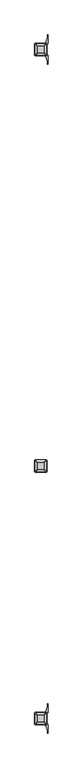
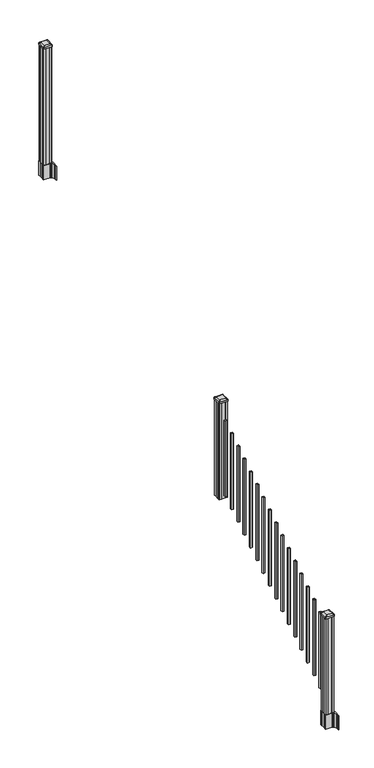
"""IFC4 building model written with IfcOpenShell, lengths in millimetres: railing geometry."""

from ifc_helpers import new_model, si_unit, point, frame, frame_2d, origin, place, context, project, spatial, polyline, circle_curve, trimmed, segment, composite_curve, outline, extrude, source, transform, mapped, element, save
from ifc_brep_helpers import plane_surface, extruded_surface, advanced_brep


def railing_37492231(model_context):
    return source(origin(), model_context, "Body", "SolidModel", [
        advanced_brep(
        [(5966.2626478, -127566.6027203, 2394.709263), (5969.4376478, -127563.4277203, 2394.709263), (5969.4376478, -127511.8339703, 2394.709263), (5966.2626478, -127508.6589703, 2394.709263), (5914.6688978, -127508.6589703, 2394.709263), (5911.4938978, -127511.8339703, 2394.709263), (5911.4938978, -127563.4277203, 2394.709263), (5914.6688978, -127566.6027203, 2394.709263), (5982.5345228, -127582.8745953, 2383.406263), (5898.3970228, -127582.8745953, 2383.406263), (5895.2220228, -127579.6995953, 2383.406263), (5895.2220228, -127495.5620953, 2383.406263), (5898.3970228, -127492.3870953, 2383.406263), (5982.5345228, -127492.3870953, 2383.406263), (5985.7095228, -127495.5620953, 2383.406263), (5985.7095228, -127579.6995953, 2383.406263)],
        [
            (0, 1, circle_curve(frame((5966.2626478, -127563.4277203, 2394.709263), z_axis=(0.0, 0.0, 1.0), x_axis=(0.0, 1.0, 0.0)), 3.175)),
            (1, 2),
            (2, 3, circle_curve(frame((5966.2626478, -127511.8339703, 2394.709263), z_axis=(0.0, 0.0, 1.0), x_axis=(0.0, 1.0, 0.0)), 3.175)),
            (3, 4),
            (4, 5, circle_curve(frame((5914.6688978, -127511.8339703, 2394.709263), z_axis=(0.0, 0.0, 1.0), x_axis=(0.0, 1.0, 0.0)), 3.175)),
            (5, 6),
            (6, 7, circle_curve(frame((5914.6688978, -127563.4277203, 2394.709263), z_axis=(0.0, 0.0, 1.0), x_axis=(0.0, 1.0, 0.0)), 3.175)),
            (7, 0),
            (8, 9),
            (9, 10, circle_curve(frame((5898.3970228, -127579.6995953, 2383.406263), z_axis=(0.0, 0.0, -1.0), x_axis=(0.0, 1.0, 0.0)), 3.175)),
            (10, 11),
            (11, 12, circle_curve(frame((5898.3970228, -127495.5620953, 2383.406263), z_axis=(0.0, 0.0, -1.0), x_axis=(0.0, 1.0, 0.0)), 3.175)),
            (12, 13),
            (13, 14, circle_curve(frame((5982.5345228, -127495.5620953, 2383.406263), z_axis=(0.0, 0.0, -1.0), x_axis=(0.0, 1.0, 0.0)), 3.175)),
            (14, 15),
            (15, 8, circle_curve(frame((5982.5345228, -127579.6995953, 2383.406263), z_axis=(0.0, 0.0, -1.0), x_axis=(0.0, 1.0, 0.0)), 3.175)),
            (15, 1),
            (0, 8),
            (14, 2),
            (13, 3),
            (12, 4),
            (11, 5),
            (10, 6),
            (9, 7),
        ],
        [
            plane_surface(frame((5940.4657728, -127537.6308453, 2394.709263), z_axis=(0.0, 0.0, 1.0), x_axis=(1.0, 0.0, 0.0))),
            plane_surface(frame((5940.4657728, -127537.6308453, 2383.406263), z_axis=(0.0, 0.0, -1.0), x_axis=(1.0, 0.0, 0.0))),
            extruded_surface(trimmed(circle_curve(frame((5982.5345228, -127579.6995953, 2383.406263), z_axis=(0.0, 0.0, 1.0), x_axis=(0.0, 1.0, 0.0)), 3.175), [point((5982.5345228, -127582.8745953, 2383.406263))], [point((5985.7095228, -127579.6995953, 2383.406263))], True, "CARTESIAN"), (-16.271874999999454, 16.27187500000582, 11.303000000000338), 25.63797263886966),
            plane_surface(frame((5985.7095228, -127537.6308453, 2383.406263), z_axis=(0.5705009161540778, 0.0, 0.8212969649690408), x_axis=(0.0, 1.0, 0.0))),
            extruded_surface(trimmed(circle_curve(frame((5982.5345228, -127495.5620953, 2383.406263), z_axis=(0.0, 0.0, 1.0), x_axis=(0.0, 1.0, 0.0)), 3.175), [point((5985.7095228, -127495.5620953, 2383.406263))], [point((5982.5345228, -127492.3870953, 2383.406263))], True, "CARTESIAN"), (-16.271874999999454, -16.27187499999127, 11.303000000000338), 25.637972638860422),
            plane_surface(frame((5940.4657728, -127492.3870953, 2383.406263), z_axis=(0.0, 0.5705009161540291, 0.8212969649690747), x_axis=(-1.0, 0.0, 0.0))),
            extruded_surface(trimmed(circle_curve(frame((5898.3970228, -127495.5620953, 2383.406263), z_axis=(0.0, 0.0, 1.0), x_axis=(0.0, 1.0, 0.0)), 3.175), [point((5898.3970228, -127492.3870953, 2383.406263))], [point((5895.2220228, -127495.5620953, 2383.406263))], True, "CARTESIAN"), (16.271875000000364, -16.27187499999127, 11.303000000000338), 25.637972638861),
            plane_surface(frame((5895.2220228, -127537.6308453, 2383.406263), z_axis=(-0.5705009161540142, 0.0, 0.8212969649690851), x_axis=(0.0, -1.0, 0.0))),
            extruded_surface(trimmed(circle_curve(frame((5898.3970228, -127579.6995953, 2383.406263), z_axis=(0.0, 0.0, 1.0), x_axis=(0.0, 1.0, 0.0)), 3.175), [point((5895.2220228, -127579.6995953, 2383.406263))], [point((5898.3970228, -127582.8745953, 2383.406263))], True, "CARTESIAN"), (16.271875000000364, 16.27187500000582, 11.303000000000338), 25.637972638870238),
            plane_surface(frame((5940.4657728, -127582.8745953, 2383.406263), z_axis=(0.0, -0.570500916154034, 0.8212969649690713), x_axis=(1.0, 0.0, 0.0))),
        ],
        [
            (0, [[1, 2, 3, 4, 5, 6, 7, 8]]),
            (1, [[9, 10, 11, 12, 13, 14, 15, 16]]),
            (2, [[-16, 17, -1, 18]]),
            (3, [[-15, 19, -2, -17]]),
            (4, [[-14, 20, -3, -19]]),
            (5, [[-13, 21, -4, -20]]),
            (6, [[-12, 22, -5, -21]]),
            (7, [[-11, 23, -6, -22]]),
            (8, [[-10, 24, -7, -23]]),
            (9, [[-9, -18, -8, -24]]),
        ],
    ),
        extrude(outline(composite_curve([segment(polyline([(5982.5345228, -127582.8745953), (5898.3970228, -127582.8745953)]), True, "CONTINUOUS"), segment(trimmed(circle_curve(frame_2d((5898.3970228, -127579.6995953)), 3.175), [point((5898.3970228, -127582.8745953))], [point((5895.2220228, -127579.6995953))], False, "CARTESIAN"), True, "CONTINUOUS"), segment(polyline([(5895.2220228, -127579.6995953), (5895.2220228, -127495.5620953)]), True, "CONTINUOUS"), segment(trimmed(circle_curve(frame_2d((5898.3970228, -127495.5620953)), 3.175), [point((5895.2220228, -127495.5620953))], [point((5898.3970228, -127492.3870953))], False, "CARTESIAN"), True, "CONTINUOUS"), segment(polyline([(5898.3970228, -127492.3870953), (5982.5345228, -127492.3870953)]), True, "CONTINUOUS"), segment(trimmed(circle_curve(frame_2d((5982.5345228, -127495.5620953)), 3.175), [point((5982.5345228, -127492.3870953))], [point((5985.7095228, -127495.5620953))], False, "CARTESIAN"), True, "CONTINUOUS"), segment(polyline([(5985.7095228, -127495.5620953), (5985.7095228, -127579.6995953)]), True, "CONTINUOUS"), segment(trimmed(circle_curve(frame_2d((5982.5345228, -127579.6995953)), 3.175), [point((5985.7095228, -127579.6995953))], [point((5982.5345228, -127582.8745953))], False, "CARTESIAN"), True, "CONTINUOUS")], self_intersect=False)), frame((0.0, 0.0, 2366.134263), z_axis=(0.0, 0.0, 1.0), x_axis=(1.0, 0.0, 0.0)), (0.0, 0.0, 1.0), 17.272),
        extrude(outline(polyline([(5980.1532728, -127578.9058453), (5960.5317728, -127578.9058453), (5959.7697728, -127577.3183453), (5921.1617728, -127577.3183453), (5920.3997728, -127578.9058453), (5900.7782728, -127578.9058453), (5899.1907728, -127577.3183453), (5899.1907728, -127557.6968453), (5900.7782728, -127556.9348453), (5900.7782728, -127518.3268453), (5899.1907728, -127517.5648453), (5899.1907728, -127497.9433453), (5900.7782728, -127496.3558453), (5920.3997728, -127496.3558453), (5921.1617728, -127497.9433453), (5959.7697728, -127497.9433453), (5960.5317728, -127496.3558453), (5980.1532728, -127496.3558453), (5981.7407728, -127497.9433453), (5981.7407728, -127517.5648453), (5980.1532728, -127518.3268453), (5980.1532728, -127556.9348453), (5981.7407728, -127557.6968453), (5981.7407728, -127577.3183453), (5980.1532728, -127578.9058453)])), frame((0.0, 0.0, 1334.77), z_axis=(0.0, 0.0, 1.0), x_axis=(1.0, 0.0, 0.0)), (0.0, 0.0, 1.0), 1031.364263),
        extrude(outline(polyline([(5930.9407728, -127628.1818453), (5930.9407728, -127609.1318453), (5949.9907728, -127609.1318453), (5949.9907728, -127628.1818453), (5930.9407728, -127628.1818453)]), holes=[polyline([(5931.3376478, -127627.7849703), (5949.5938978, -127627.7849703), (5949.5938978, -127609.5287203), (5931.3376478, -127609.5287203), (5931.3376478, -127627.7849703)])]), frame((0.0, 0.0, 1385.7246281), z_axis=(0.0, 0.0, 1.0), x_axis=(1.0, 0.0, 0.0)), (0.0, 0.0, 1.0), 812.8041219),
        extrude(outline(polyline([(5930.9407728, -127739.4338453), (5930.9407728, -127720.3838453), (5949.9907728, -127720.3838453), (5949.9907728, -127739.4338453), (5930.9407728, -127739.4338453)]), holes=[polyline([(5931.3376478, -127739.0369703), (5949.5938978, -127739.0369703), (5949.5938978, -127720.7807203), (5931.3376478, -127720.7807203), (5931.3376478, -127739.0369703)])]), frame((0.0, 0.0, 1316.1921281), z_axis=(0.0, 0.0, 1.0), x_axis=(1.0, 0.0, 0.0)), (0.0, 0.0, 1.0), 812.8041219),
        extrude(outline(polyline([(5930.9407728, -127850.6858453), (5930.9407728, -127831.6358453), (5949.9907728, -127831.6358453), (5949.9907728, -127850.6858453), (5930.9407728, -127850.6858453)]), holes=[polyline([(5931.3376478, -127850.2889703), (5949.5938978, -127850.2889703), (5949.5938978, -127832.0327203), (5931.3376478, -127832.0327203), (5931.3376478, -127850.2889703)])]), frame((0.0, 0.0, 1246.6596281), z_axis=(0.0, 0.0, 1.0), x_axis=(1.0, 0.0, 0.0)), (0.0, 0.0, 1.0), 812.8041219),
        extrude(outline(polyline([(5930.9407728, -127961.9378453), (5930.9407728, -127942.8878453), (5949.9907728, -127942.8878453), (5949.9907728, -127961.9378453), (5930.9407728, -127961.9378453)]), holes=[polyline([(5931.3376478, -127961.5409703), (5949.5938978, -127961.5409703), (5949.5938978, -127943.2847203), (5931.3376478, -127943.2847203), (5931.3376478, -127961.5409703)])]), frame((0.0, 0.0, 1177.1271281), z_axis=(0.0, 0.0, 1.0), x_axis=(1.0, 0.0, 0.0)), (0.0, 0.0, 1.0), 812.8041219),
        extrude(outline(polyline([(5930.9407728, -128073.1898453), (5930.9407728, -128054.1398453), (5949.9907728, -128054.1398453), (5949.9907728, -128073.1898453), (5930.9407728, -128073.1898453)]), holes=[polyline([(5931.3376478, -128072.7929703), (5949.5938978, -128072.7929703), (5949.5938978, -128054.5367203), (5931.3376478, -128054.5367203), (5931.3376478, -128072.7929703)])]), frame((0.0, 0.0, 1107.5946281), z_axis=(0.0, 0.0, 1.0), x_axis=(1.0, 0.0, 0.0)), (0.0, 0.0, 1.0), 812.8041219),
        extrude(outline(polyline([(5930.9407728, -128184.4418453), (5930.9407728, -128165.3918453), (5949.9907728, -128165.3918453), (5949.9907728, -128184.4418453), (5930.9407728, -128184.4418453)]), holes=[polyline([(5931.3376478, -128184.0449703), (5949.5938978, -128184.0449703), (5949.5938978, -128165.7887203), (5931.3376478, -128165.7887203), (5931.3376478, -128184.0449703)])]), frame((0.0, 0.0, 1038.0621281), z_axis=(0.0, 0.0, 1.0), x_axis=(1.0, 0.0, 0.0)), (0.0, 0.0, 1.0), 812.8041219),
        extrude(outline(polyline([(5930.9407728, -128295.6938453), (5930.9407728, -128276.6438453), (5949.9907728, -128276.6438453), (5949.9907728, -128295.6938453), (5930.9407728, -128295.6938453)]), holes=[polyline([(5931.3376478, -128295.2969703), (5949.5938978, -128295.2969703), (5949.5938978, -128277.0407203), (5931.3376478, -128277.0407203), (5931.3376478, -128295.2969703)])]), frame((0.0, 0.0, 968.5296281), z_axis=(0.0, 0.0, 1.0), x_axis=(1.0, 0.0, 0.0)), (0.0, 0.0, 1.0), 812.8041219),
        extrude(outline(polyline([(5930.9407728, -128406.9458453), (5930.9407728, -128387.8958453), (5949.9907728, -128387.8958453), (5949.9907728, -128406.9458453), (5930.9407728, -128406.9458453)]), holes=[polyline([(5931.3376478, -128406.5489703), (5949.5938978, -128406.5489703), (5949.5938978, -128388.2927203), (5931.3376478, -128388.2927203), (5931.3376478, -128406.5489703)])]), frame((0.0, 0.0, 898.9971281), z_axis=(0.0, 0.0, 1.0), x_axis=(1.0, 0.0, 0.0)), (0.0, 0.0, 1.0), 812.8041219),
        extrude(outline(polyline([(5930.9407728, -128518.1978453), (5930.9407728, -128499.1478453), (5949.9907728, -128499.1478453), (5949.9907728, -128518.1978453), (5930.9407728, -128518.1978453)]), holes=[polyline([(5931.3376478, -128517.8009703), (5949.5938978, -128517.8009703), (5949.5938978, -128499.5447203), (5931.3376478, -128499.5447203), (5931.3376478, -128517.8009703)])]), frame((0.0, 0.0, 829.4646281), z_axis=(0.0, 0.0, 1.0), x_axis=(1.0, 0.0, 0.0)), (0.0, 0.0, 1.0), 812.8041219),
        extrude(outline(polyline([(5930.9407728, -128629.4498453), (5930.9407728, -128610.3998453), (5949.9907728, -128610.3998453), (5949.9907728, -128629.4498453), (5930.9407728, -128629.4498453)]), holes=[polyline([(5931.3376478, -128629.0529703), (5949.5938978, -128629.0529703), (5949.5938978, -128610.7967203), (5931.3376478, -128610.7967203), (5931.3376478, -128629.0529703)])]), frame((0.0, 0.0, 759.9321281), z_axis=(0.0, 0.0, 1.0), x_axis=(1.0, 0.0, 0.0)), (0.0, 0.0, 1.0), 812.8041219),
        extrude(outline(polyline([(5930.9407728, -128740.7018453), (5930.9407728, -128721.6518453), (5949.9907728, -128721.6518453), (5949.9907728, -128740.7018453), (5930.9407728, -128740.7018453)]), holes=[polyline([(5931.3376478, -128740.3049703), (5949.5938978, -128740.3049703), (5949.5938978, -128722.0487203), (5931.3376478, -128722.0487203), (5931.3376478, -128740.3049703)])]), frame((0.0, 0.0, 690.3996281), z_axis=(0.0, 0.0, 1.0), x_axis=(1.0, 0.0, 0.0)), (0.0, 0.0, 1.0), 812.8041219),
        extrude(outline(polyline([(5930.9407728, -128851.9538453), (5930.9407728, -128832.9038453), (5949.9907728, -128832.9038453), (5949.9907728, -128851.9538453), (5930.9407728, -128851.9538453)]), holes=[polyline([(5931.3376478, -128851.5569703), (5949.5938978, -128851.5569703), (5949.5938978, -128833.3007203), (5931.3376478, -128833.3007203), (5931.3376478, -128851.5569703)])]), frame((0.0, 0.0, 620.8671281), z_axis=(0.0, 0.0, 1.0), x_axis=(1.0, 0.0, 0.0)), (0.0, 0.0, 1.0), 812.8041219),
        extrude(outline(polyline([(5930.9407728, -128963.2058453), (5930.9407728, -128944.1558453), (5949.9907728, -128944.1558453), (5949.9907728, -128963.2058453), (5930.9407728, -128963.2058453)]), holes=[polyline([(5931.3376478, -128962.8089703), (5949.5938978, -128962.8089703), (5949.5938978, -128944.5527203), (5931.3376478, -128944.5527203), (5931.3376478, -128962.8089703)])]), frame((0.0, 0.0, 551.3346281), z_axis=(0.0, 0.0, 1.0), x_axis=(1.0, 0.0, 0.0)), (0.0, 0.0, 1.0), 812.8041219),
        extrude(outline(polyline([(5930.9407728, -129074.4578453), (5930.9407728, -129055.4078453), (5949.9907728, -129055.4078453), (5949.9907728, -129074.4578453), (5930.9407728, -129074.4578453)]), holes=[polyline([(5931.3376478, -129074.0609703), (5949.5938978, -129074.0609703), (5949.5938978, -129055.8047203), (5931.3376478, -129055.8047203), (5931.3376478, -129074.0609703)])]), frame((0.0, 0.0, 481.8021281), z_axis=(0.0, 0.0, 1.0), x_axis=(1.0, 0.0, 0.0)), (0.0, 0.0, 1.0), 812.8041219),
        extrude(outline(polyline([(5930.9407728, -129185.7098453), (5930.9407728, -129166.6598453), (5949.9907728, -129166.6598453), (5949.9907728, -129185.7098453), (5930.9407728, -129185.7098453)]), holes=[polyline([(5931.3376478, -129185.3129703), (5949.5938978, -129185.3129703), (5949.5938978, -129167.0567203), (5931.3376478, -129167.0567203), (5931.3376478, -129185.3129703)])]), frame((0.0, 0.0, 412.2696281), z_axis=(0.0, 0.0, 1.0), x_axis=(1.0, 0.0, 0.0)), (0.0, 0.0, 1.0), 812.8041219),
        extrude(outline(polyline([(5930.9407728, -129296.9618453), (5930.9407728, -129277.9118453), (5949.9907728, -129277.9118453), (5949.9907728, -129296.9618453), (5930.9407728, -129296.9618453)]), holes=[polyline([(5931.3376478, -129296.5649703), (5949.5938978, -129296.5649703), (5949.5938978, -129278.3087203), (5931.3376478, -129278.3087203), (5931.3376478, -129296.5649703)])]), frame((0.0, 0.0, 342.7371281), z_axis=(0.0, 0.0, 1.0), x_axis=(1.0, 0.0, 0.0)), (0.0, 0.0, 1.0), 812.8041219),
        extrude(outline(polyline([(5980.1532728, -124491.5358453), (5960.5317728, -124491.5358453), (5959.7697728, -124489.9483453), (5921.1617728, -124489.9483453), (5920.3997728, -124491.5358453), (5900.7782728, -124491.5358453), (5899.1907728, -124489.9483453), (5899.1907728, -124470.3268453), (5900.7782728, -124469.5648453), (5900.7782728, -124430.9568453), (5899.1907728, -124430.1948453), (5899.1907728, -124410.5733453), (5900.7782728, -124408.9858453), (5920.3997728, -124408.9858453), (5921.1617728, -124410.5733453), (5959.7697728, -124410.5733453), (5960.5317728, -124408.9858453), (5980.1532728, -124408.9858453), (5981.7407728, -124410.5733453), (5981.7407728, -124430.1948453), (5980.1532728, -124430.9568453), (5980.1532728, -124469.5648453), (5981.7407728, -124470.3268453), (5981.7407728, -124489.9483453), (5980.1532728, -124491.5358453)])), frame((0.0, 0.0, 3048.0), z_axis=(0.0, 0.0, 1.0), x_axis=(1.0, 0.0, 0.0)), (0.0, 0.0, 1.0), 1247.740513),
        extrude(outline(composite_curve([segment(polyline([(5897.7302728, -124467.6469401), (5897.7302728, -124432.8747504), (5896.1427728, -124432.1127504), (5896.1427728, -124409.3108224), (5899.5157498, -124405.9378453), (5960.9754206, -124405.9378453), (5960.9754206, -124405.0170953), (5966.2929645, -124405.0170953), (5966.2929645, -124403.5628406), (5971.3774942, -124403.5628406), (5971.3774942, -124402.2788168), (5973.0447665, -124402.2788168)]), True, "CONTINUOUS"), segment(trimmed(circle_curve(frame_2d((5973.0447665, -124395.2193569)), 7.0594599), [point((5973.0447665, -124402.2788168))], [point((5979.8120293, -124397.2293636))], True, "CARTESIAN"), True, "CONTINUOUS"), segment(polyline([(5979.8120293, -124397.2293636), (5987.6862236, -124370.7186345)]), True, "CONTINUOUS"), segment(trimmed(circle_curve(frame_2d((5932.9017103, -124354.4465848)), 57.15), [point((5987.6862236, -124370.7186345))], [point((5990.0517103, -124354.4465848))], True, "CARTESIAN"), True, "CONTINUOUS"), segment(polyline([(5990.0517103, -124354.4465848), (5990.0517103, -124342.4378453), (5993.0517103, -124342.4378453), (5993.0517103, -124407.5253453), (5984.7887728, -124418.8636366), (5984.7887728, -124432.1127504), (5983.2012728, -124432.8747504), (5983.2012728, -124467.6469401), (5984.7887728, -124468.4089401), (5984.7887728, -124481.658054), (5993.0517103, -124492.9963453), (5993.0517103, -124558.0838453), (5990.0517103, -124558.0838453), (5990.0517103, -124546.0751057)]), True, "CONTINUOUS"), segment(trimmed(circle_curve(frame_2d((5932.9017103, -124546.0751057)), 57.15), [point((5990.0517103, -124546.0751057))], [point((5987.6862236, -124529.8030561))], True, "CARTESIAN"), True, "CONTINUOUS"), segment(polyline([(5987.6862236, -124529.8030561), (5979.8120293, -124503.292327)]), True, "CONTINUOUS"), segment(trimmed(circle_curve(frame_2d((5973.0447665, -124505.3023337)), 7.0594599), [point((5979.8120293, -124503.292327))], [point((5973.0447665, -124498.2428738))], True, "CARTESIAN"), True, "CONTINUOUS"), segment(polyline([(5973.0447665, -124498.2428738), (5971.3774942, -124498.2428738), (5971.3774942, -124496.95885), (5966.2929645, -124496.95885), (5966.2929645, -124495.5045953), (5960.9754206, -124495.5045953), (5960.9754206, -124494.5838453), (5899.5157498, -124494.5838453), (5896.1427728, -124491.2108682), (5896.1427728, -124468.4089401), (5897.7302728, -124467.6469401)]), True, "CONTINUOUS")], self_intersect=False), holes=[polyline([(5981.7407728, -124410.5733453), (5980.1532728, -124408.9858453), (5943.2289902, -124408.9858453), (5900.7782728, -124408.9858453), (5899.1907728, -124410.5733453), (5899.1907728, -124489.9483453), (5900.7782728, -124491.5358453), (5943.2289902, -124491.5358453), (5980.1532728, -124491.5358453), (5981.7407728, -124489.9483453), (5981.7407728, -124410.5733453)])]), frame((0.0, 0.0, 2895.6), z_axis=(0.0, 0.0, 1.0), x_axis=(1.0, 0.0, 0.0)), (0.0, 0.0, 1.0), 152.4),
        advanced_brep(
        [(5966.2626478, -124479.2327203, 4324.315513), (5969.4376478, -124476.0577203, 4324.315513), (5969.4376478, -124424.4639703, 4324.315513), (5966.2626478, -124421.2889703, 4324.315513), (5914.6688978, -124421.2889703, 4324.315513), (5911.4938978, -124424.4639703, 4324.315513), (5911.4938978, -124476.0577203, 4324.315513), (5914.6688978, -124479.2327203, 4324.315513), (5982.5345228, -124495.5045953, 4313.012513), (5898.3970228, -124495.5045953, 4313.012513), (5895.2220228, -124492.3295953, 4313.012513), (5895.2220228, -124408.1920953, 4313.012513), (5898.3970228, -124405.0170953, 4313.012513), (5982.5345228, -124405.0170953, 4313.012513), (5985.7095228, -124408.1920953, 4313.012513), (5985.7095228, -124492.3295953, 4313.012513)],
        [
            (0, 1, circle_curve(frame((5966.2626478, -124476.0577203, 4324.315513), z_axis=(0.0, 0.0, 1.0), x_axis=(0.0, 1.0, 0.0)), 3.175)),
            (1, 2),
            (2, 3, circle_curve(frame((5966.2626478, -124424.4639703, 4324.315513), z_axis=(0.0, 0.0, 1.0), x_axis=(0.0, 1.0, 0.0)), 3.175)),
            (3, 4),
            (4, 5, circle_curve(frame((5914.6688978, -124424.4639703, 4324.315513), z_axis=(0.0, 0.0, 1.0), x_axis=(0.0, 1.0, 0.0)), 3.175)),
            (5, 6),
            (6, 7, circle_curve(frame((5914.6688978, -124476.0577203, 4324.315513), z_axis=(0.0, 0.0, 1.0), x_axis=(0.0, 1.0, 0.0)), 3.175)),
            (7, 0),
            (8, 9),
            (9, 10, circle_curve(frame((5898.3970228, -124492.3295953, 4313.012513), z_axis=(0.0, 0.0, -1.0), x_axis=(0.0, 1.0, 0.0)), 3.175)),
            (10, 11),
            (11, 12, circle_curve(frame((5898.3970228, -124408.1920953, 4313.012513), z_axis=(0.0, 0.0, -1.0), x_axis=(0.0, 1.0, 0.0)), 3.175)),
            (12, 13),
            (13, 14, circle_curve(frame((5982.5345228, -124408.1920953, 4313.012513), z_axis=(0.0, 0.0, -1.0), x_axis=(0.0, 1.0, 0.0)), 3.175)),
            (14, 15),
            (15, 8, circle_curve(frame((5982.5345228, -124492.3295953, 4313.012513), z_axis=(0.0, 0.0, -1.0), x_axis=(0.0, 1.0, 0.0)), 3.175)),
            (15, 1),
            (0, 8),
            (14, 2),
            (13, 3),
            (12, 4),
            (11, 5),
            (10, 6),
            (9, 7),
        ],
        [
            plane_surface(frame((5940.4657728, -124450.2608453, 4324.315513), z_axis=(0.0, 0.0, 1.0), x_axis=(1.0, 0.0, 0.0))),
            plane_surface(frame((5940.4657728, -124450.2608453, 4313.012513), z_axis=(0.0, 0.0, -1.0), x_axis=(1.0, 0.0, 0.0))),
            extruded_surface(trimmed(circle_curve(frame((5982.5345228, -124492.3295953, 4313.012513), z_axis=(0.0, 0.0, 1.0), x_axis=(0.0, 1.0, 0.0)), 3.175), [point((5982.5345228, -124495.5045953, 4313.012513))], [point((5985.7095228, -124492.3295953, 4313.012513))], True, "CARTESIAN"), (-16.271874999999454, 16.27187500000582, 11.302999999999884), 25.63797263886946),
            plane_surface(frame((5985.7095228, -124450.2608453, 4313.012513), z_axis=(0.5705009161540687, 0.0, 0.8212969649690472), x_axis=(0.0, 1.0, 0.0))),
            extruded_surface(trimmed(circle_curve(frame((5982.5345228, -124408.1920953, 4313.012513), z_axis=(0.0, 0.0, 1.0), x_axis=(0.0, 1.0, 0.0)), 3.175), [point((5985.7095228, -124408.1920953, 4313.012513))], [point((5982.5345228, -124405.0170953, 4313.012513))], True, "CARTESIAN"), (-16.271874999999454, -16.27187500000582, 11.302999999999884), 25.63797263886946),
            plane_surface(frame((5940.4657728, -124405.0170953, 4313.012513), z_axis=(0.0, 0.5705009161540291, 0.8212969649690747), x_axis=(-1.0, 0.0, 0.0))),
            extruded_surface(trimmed(circle_curve(frame((5898.3970228, -124408.1920953, 4313.012513), z_axis=(0.0, 0.0, 1.0), x_axis=(0.0, 1.0, 0.0)), 3.175), [point((5898.3970228, -124405.0170953, 4313.012513))], [point((5895.2220228, -124408.1920953, 4313.012513))], True, "CARTESIAN"), (16.271875000000364, -16.27187500000582, 11.302999999999884), 25.637972638870036),
            plane_surface(frame((5895.2220228, -124450.2608453, 4313.012513), z_axis=(-0.5705009161540233, 0.0, 0.8212969649690787), x_axis=(0.0, -1.0, 0.0))),
            extruded_surface(trimmed(circle_curve(frame((5898.3970228, -124492.3295953, 4313.012513), z_axis=(0.0, 0.0, 1.0), x_axis=(0.0, 1.0, 0.0)), 3.175), [point((5895.2220228, -124492.3295953, 4313.012513))], [point((5898.3970228, -124495.5045953, 4313.012513))], True, "CARTESIAN"), (16.271875000000364, 16.27187500000582, 11.302999999999884), 25.637972638870036),
            plane_surface(frame((5940.4657728, -124495.5045953, 4313.012513), z_axis=(0.0, -0.570500916154034, 0.8212969649690713), x_axis=(1.0, 0.0, 0.0))),
        ],
        [
            (0, [[1, 2, 3, 4, 5, 6, 7, 8]]),
            (1, [[9, 10, 11, 12, 13, 14, 15, 16]]),
            (2, [[-16, 17, -1, 18]]),
            (3, [[-15, 19, -2, -17]]),
            (4, [[-14, 20, -3, -19]]),
            (5, [[-13, 21, -4, -20]]),
            (6, [[-12, 22, -5, -21]]),
            (7, [[-11, 23, -6, -22]]),
            (8, [[-10, 24, -7, -23]]),
            (9, [[-9, -18, -8, -24]]),
        ],
    ),
        extrude(outline(composite_curve([segment(polyline([(5982.5345228, -124495.5045953), (5898.3970228, -124495.5045953)]), True, "CONTINUOUS"), segment(trimmed(circle_curve(frame_2d((5898.3970228, -124492.3295953)), 3.175), [point((5898.3970228, -124495.5045953))], [point((5895.2220228, -124492.3295953))], False, "CARTESIAN"), True, "CONTINUOUS"), segment(polyline([(5895.2220228, -124492.3295953), (5895.2220228, -124408.1920953)]), True, "CONTINUOUS"), segment(trimmed(circle_curve(frame_2d((5898.3970228, -124408.1920953)), 3.175), [point((5895.2220228, -124408.1920953))], [point((5898.3970228, -124405.0170953))], False, "CARTESIAN"), True, "CONTINUOUS"), segment(polyline([(5898.3970228, -124405.0170953), (5982.5345228, -124405.0170953)]), True, "CONTINUOUS"), segment(trimmed(circle_curve(frame_2d((5982.5345228, -124408.1920953)), 3.175), [point((5982.5345228, -124405.0170953))], [point((5985.7095228, -124408.1920953))], False, "CARTESIAN"), True, "CONTINUOUS"), segment(polyline([(5985.7095228, -124408.1920953), (5985.7095228, -124492.3295953)]), True, "CONTINUOUS"), segment(trimmed(circle_curve(frame_2d((5982.5345228, -124492.3295953)), 3.175), [point((5985.7095228, -124492.3295953))], [point((5982.5345228, -124495.5045953))], False, "CARTESIAN"), True, "CONTINUOUS")], self_intersect=False)), frame((0.0, 0.0, 4295.740513), z_axis=(0.0, 0.0, 1.0), x_axis=(1.0, 0.0, 0.0)), (0.0, 0.0, 1.0), 17.272),
        extrude(outline(composite_curve([segment(polyline([(5897.7302728, -129427.2509401), (5897.7302728, -129392.4787504), (5896.1427728, -129391.7167504), (5896.1427728, -129368.9148224), (5899.5157498, -129365.5418453), (5960.9754206, -129365.5418453), (5960.9754206, -129364.6210953), (5966.2929645, -129364.6210953), (5966.2929645, -129363.1668406), (5971.3774942, -129363.1668406), (5971.3774942, -129361.8828168), (5973.0447665, -129361.8828168)]), True, "CONTINUOUS"), segment(trimmed(circle_curve(frame_2d((5973.0447665, -129354.8233569)), 7.0594599), [point((5973.0447665, -129361.8828168))], [point((5979.8120293, -129356.8333636))], True, "CARTESIAN"), True, "CONTINUOUS"), segment(polyline([(5979.8120293, -129356.8333636), (5987.6862236, -129330.3226345)]), True, "CONTINUOUS"), segment(trimmed(circle_curve(frame_2d((5932.9017103, -129314.0505848)), 57.15), [point((5987.6862236, -129330.3226345))], [point((5990.0517103, -129314.0505848))], True, "CARTESIAN"), True, "CONTINUOUS"), segment(polyline([(5990.0517103, -129314.0505848), (5990.0517103, -129302.0418453), (5993.0517103, -129302.0418453), (5993.0517103, -129367.1293453), (5984.7887728, -129378.4676366), (5984.7887728, -129391.7167504), (5983.2012728, -129392.4787504), (5983.2012728, -129427.2509401), (5984.7887728, -129428.0129401), (5984.7887728, -129441.262054), (5993.0517103, -129452.6003453), (5993.0517103, -129517.6878453), (5990.0517103, -129517.6878453), (5990.0517103, -129505.6791057)]), True, "CONTINUOUS"), segment(trimmed(circle_curve(frame_2d((5932.9017103, -129505.6791057)), 57.15), [point((5990.0517103, -129505.6791057))], [point((5987.6862236, -129489.4070561))], True, "CARTESIAN"), True, "CONTINUOUS"), segment(polyline([(5987.6862236, -129489.4070561), (5979.8120293, -129462.896327)]), True, "CONTINUOUS"), segment(trimmed(circle_curve(frame_2d((5973.0447665, -129464.9063337)), 7.0594599), [point((5979.8120293, -129462.896327))], [point((5973.0447665, -129457.8468738))], True, "CARTESIAN"), True, "CONTINUOUS"), segment(polyline([(5973.0447665, -129457.8468738), (5971.3774942, -129457.8468738), (5971.3774942, -129456.56285), (5966.2929645, -129456.56285), (5966.2929645, -129455.1085953), (5960.9754206, -129455.1085953), (5960.9754206, -129454.1878453), (5899.5157498, -129454.1878453), (5896.1427728, -129450.8148682), (5896.1427728, -129428.0129401), (5897.7302728, -129427.2509401)]), True, "CONTINUOUS")], self_intersect=False), holes=[polyline([(5981.7407728, -129370.1773453), (5980.1532728, -129368.5898453), (5943.2289902, -129368.5898453), (5900.7782728, -129368.5898453), (5899.1907728, -129370.1773453), (5899.1907728, -129449.5523453), (5900.7782728, -129451.1398453), (5943.2289902, -129451.1398453), (5980.1532728, -129451.1398453), (5981.7407728, -129449.5523453), (5981.7407728, -129370.1773453)])]), frame((0.0, 0.0, 12.22375), z_axis=(0.0, 0.0, 1.0), x_axis=(1.0, 0.0, 0.0)), (0.0, 0.0, 1.0), 152.4),
        advanced_brep(
        [(5966.2626478, -129438.8367203, 1224.563013), (5969.4376478, -129435.6617203, 1224.563013), (5969.4376478, -129384.0679703, 1224.563013), (5966.2626478, -129380.8929703, 1224.563013), (5914.6688978, -129380.8929703, 1224.563013), (5911.4938978, -129384.0679703, 1224.563013), (5911.4938978, -129435.6617203, 1224.563013), (5914.6688978, -129438.8367203, 1224.563013), (5982.5345228, -129455.1085953, 1213.260013), (5898.3970228, -129455.1085953, 1213.260013), (5895.2220228, -129451.9335953, 1213.260013), (5895.2220228, -129367.7960953, 1213.260013), (5898.3970228, -129364.6210953, 1213.260013), (5982.5345228, -129364.6210953, 1213.260013), (5985.7095228, -129367.7960953, 1213.260013), (5985.7095228, -129451.9335953, 1213.260013)],
        [
            (0, 1, circle_curve(frame((5966.2626478, -129435.6617203, 1224.563013), z_axis=(0.0, 0.0, 1.0), x_axis=(0.0, 1.0, 0.0)), 3.175)),
            (1, 2),
            (2, 3, circle_curve(frame((5966.2626478, -129384.0679703, 1224.563013), z_axis=(0.0, 0.0, 1.0), x_axis=(0.0, 1.0, 0.0)), 3.175)),
            (3, 4),
            (4, 5, circle_curve(frame((5914.6688978, -129384.0679703, 1224.563013), z_axis=(0.0, 0.0, 1.0), x_axis=(0.0, 1.0, 0.0)), 3.175)),
            (5, 6),
            (6, 7, circle_curve(frame((5914.6688978, -129435.6617203, 1224.563013), z_axis=(0.0, 0.0, 1.0), x_axis=(0.0, 1.0, 0.0)), 3.175)),
            (7, 0),
            (8, 9),
            (9, 10, circle_curve(frame((5898.3970228, -129451.9335953, 1213.260013), z_axis=(0.0, 0.0, -1.0), x_axis=(0.0, 1.0, 0.0)), 3.175)),
            (10, 11),
            (11, 12, circle_curve(frame((5898.3970228, -129367.7960953, 1213.260013), z_axis=(0.0, 0.0, -1.0), x_axis=(0.0, 1.0, 0.0)), 3.175)),
            (12, 13),
            (13, 14, circle_curve(frame((5982.5345228, -129367.7960953, 1213.260013), z_axis=(0.0, 0.0, -1.0), x_axis=(0.0, 1.0, 0.0)), 3.175)),
            (14, 15),
            (15, 8, circle_curve(frame((5982.5345228, -129451.9335953, 1213.260013), z_axis=(0.0, 0.0, -1.0), x_axis=(0.0, 1.0, 0.0)), 3.175)),
            (15, 1),
            (0, 8),
            (14, 2),
            (13, 3),
            (12, 4),
            (11, 5),
            (10, 6),
            (9, 7),
        ],
        [
            plane_surface(frame((5940.4657728, -129409.8648453, 1224.563013), z_axis=(0.0, 0.0, 1.0), x_axis=(1.0, 0.0, 0.0))),
            plane_surface(frame((5940.4657728, -129409.8648453, 1213.260013), z_axis=(0.0, 0.0, -1.0), x_axis=(1.0, 0.0, 0.0))),
            extruded_surface(trimmed(circle_curve(frame((5982.5345228, -129451.9335953, 1213.260013), z_axis=(0.0, 0.0, 1.0), x_axis=(0.0, 1.0, 0.0)), 3.175), [point((5982.5345228, -129455.1085953, 1213.260013))], [point((5985.7095228, -129451.9335953, 1213.260013))], True, "CARTESIAN"), (-16.271874999999454, 16.27187499999127, 11.302999999999884), 25.637972638860223),
            plane_surface(frame((5985.7095228, -129409.8648453, 1213.260013), z_axis=(0.5705009161540778, 0.0, 0.8212969649690408), x_axis=(0.0, 1.0, 0.0))),
            extruded_surface(trimmed(circle_curve(frame((5982.5345228, -129367.7960953, 1213.260013), z_axis=(0.0, 0.0, 1.0), x_axis=(0.0, 1.0, 0.0)), 3.175), [point((5985.7095228, -129367.7960953, 1213.260013))], [point((5982.5345228, -129364.6210953, 1213.260013))], True, "CARTESIAN"), (-16.271874999999454, -16.27187500000582, 11.302999999999884), 25.63797263886946),
            plane_surface(frame((5940.4657728, -129364.6210953, 1213.260013), z_axis=(0.0, 0.5705009161540291, 0.8212969649690747), x_axis=(-1.0, 0.0, 0.0))),
            extruded_surface(trimmed(circle_curve(frame((5898.3970228, -129367.7960953, 1213.260013), z_axis=(0.0, 0.0, 1.0), x_axis=(0.0, 1.0, 0.0)), 3.175), [point((5898.3970228, -129364.6210953, 1213.260013))], [point((5895.2220228, -129367.7960953, 1213.260013))], True, "CARTESIAN"), (16.271875000000364, -16.27187500000582, 11.302999999999884), 25.637972638870036),
            plane_surface(frame((5895.2220228, -129409.8648453, 1213.260013), z_axis=(-0.5705009161540142, 0.0, 0.8212969649690851), x_axis=(0.0, -1.0, 0.0))),
            extruded_surface(trimmed(circle_curve(frame((5898.3970228, -129451.9335953, 1213.260013), z_axis=(0.0, 0.0, 1.0), x_axis=(0.0, 1.0, 0.0)), 3.175), [point((5895.2220228, -129451.9335953, 1213.260013))], [point((5898.3970228, -129455.1085953, 1213.260013))], True, "CARTESIAN"), (16.271875000000364, 16.27187499999127, 11.302999999999884), 25.637972638860802),
            plane_surface(frame((5940.4657728, -129455.1085953, 1213.260013), z_axis=(0.0, -0.570500916154034, 0.8212969649690713), x_axis=(1.0, 0.0, 0.0))),
        ],
        [
            (0, [[1, 2, 3, 4, 5, 6, 7, 8]]),
            (1, [[9, 10, 11, 12, 13, 14, 15, 16]]),
            (2, [[-16, 17, -1, 18]]),
            (3, [[-15, 19, -2, -17]]),
            (4, [[-14, 20, -3, -19]]),
            (5, [[-13, 21, -4, -20]]),
            (6, [[-12, 22, -5, -21]]),
            (7, [[-11, 23, -6, -22]]),
            (8, [[-10, 24, -7, -23]]),
            (9, [[-9, -18, -8, -24]]),
        ],
    ),
        extrude(outline(composite_curve([segment(polyline([(5982.5345228, -129455.1085953), (5898.3970228, -129455.1085953)]), True, "CONTINUOUS"), segment(trimmed(circle_curve(frame_2d((5898.3970228, -129451.9335953)), 3.175), [point((5898.3970228, -129455.1085953))], [point((5895.2220228, -129451.9335953))], False, "CARTESIAN"), True, "CONTINUOUS"), segment(polyline([(5895.2220228, -129451.9335953), (5895.2220228, -129367.7960953)]), True, "CONTINUOUS"), segment(trimmed(circle_curve(frame_2d((5898.3970228, -129367.7960953)), 3.175), [point((5895.2220228, -129367.7960953))], [point((5898.3970228, -129364.6210953))], False, "CARTESIAN"), True, "CONTINUOUS"), segment(polyline([(5898.3970228, -129364.6210953), (5982.5345228, -129364.6210953)]), True, "CONTINUOUS"), segment(trimmed(circle_curve(frame_2d((5982.5345228, -129367.7960953)), 3.175), [point((5982.5345228, -129364.6210953))], [point((5985.7095228, -129367.7960953))], False, "CARTESIAN"), True, "CONTINUOUS"), segment(polyline([(5985.7095228, -129367.7960953), (5985.7095228, -129451.9335953)]), True, "CONTINUOUS"), segment(trimmed(circle_curve(frame_2d((5982.5345228, -129451.9335953)), 3.175), [point((5985.7095228, -129451.9335953))], [point((5982.5345228, -129455.1085953))], False, "CARTESIAN"), True, "CONTINUOUS")], self_intersect=False)), frame((0.0, 0.0, 1195.988013), z_axis=(0.0, 0.0, 1.0), x_axis=(1.0, 0.0, 0.0)), (0.0, 0.0, 1.0), 17.272),
        extrude(outline(polyline([(5980.1532728, -129451.1398453), (5960.5317728, -129451.1398453), (5959.7697728, -129449.5523453), (5921.1617728, -129449.5523453), (5920.3997728, -129451.1398453), (5900.7782728, -129451.1398453), (5899.1907728, -129449.5523453), (5899.1907728, -129429.9308453), (5900.7782728, -129429.1688453), (5900.7782728, -129390.5608453), (5899.1907728, -129389.7988453), (5899.1907728, -129370.1773453), (5900.7782728, -129368.5898453), (5920.3997728, -129368.5898453), (5921.1617728, -129370.1773453), (5959.7697728, -129370.1773453), (5960.5317728, -129368.5898453), (5980.1532728, -129368.5898453), (5981.7407728, -129370.1773453), (5981.7407728, -129389.7988453), (5980.1532728, -129390.5608453), (5980.1532728, -129429.1688453), (5981.7407728, -129429.9308453), (5981.7407728, -129449.5523453), (5980.1532728, -129451.1398453)])), frame((0.0, 0.0, 164.62375), z_axis=(0.0, 0.0, 1.0), x_axis=(1.0, 0.0, 0.0)), (0.0, 0.0, 1.0), 1031.364263),
    ])


if __name__ == "__main__":
    model = new_model("IFC4")
    model_context = context("Model", 3, world=origin())
    ifc_project = project(units=[si_unit("LENGTHUNIT", "METRE", prefix="MILLI")], contexts=[model_context])
    site = spatial("IfcSite", under=ifc_project)
    building = spatial("IfcBuilding", under=site)
    placement = place(None, origin())
    railing_shape = railing_37492231(model_context)
    element("IfcRailing", 1, at=placement, inside=building, context=model_context, shape_type="MappedRepresentation", body=[
        mapped(railing_shape, transform((0.0, 0.0, 0.0), x_axis=(1.0, 0.0, 0.0), y_axis=(0.0, 1.0, 0.0), z_axis=(0.0, 0.0, 1.0))),
    ])
    save(model, "model.ifc")
